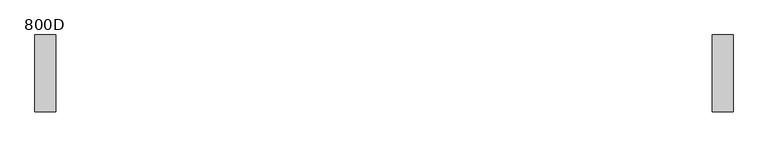
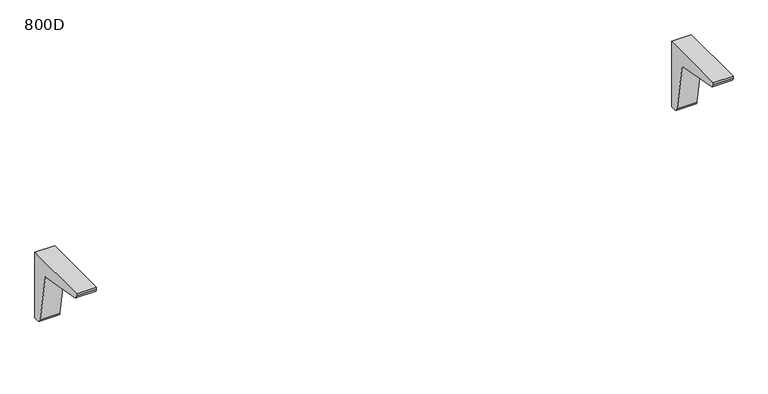
"""IFC4 building model written with IfcOpenShell, lengths in millimetres: furniture geometry, 800D."""

from ifc_helpers import new_model, si_unit, point, frame, frame_2d, origin, place, context, project, spatial, polyline, circle_curve, trimmed, segment, composite_curve, outline, extrude, source, transform, mapped, element, save


def furniture_800d_4af135a1(model_context):
    return source(origin(), model_context, "Body", "SweptSolid", [
        extrude(outline(composite_curve([segment(polyline([(0.0, 711.0), (0.0, 535.0), (-13.6, 535.0)]), True, "CONTINUOUS"), segment(trimmed(circle_curve(frame_2d((-13.6, 545.0)), 10.0), [point((-13.6, 535.0))], [point((-23.4480775, 543.2635182))], False, "CARTESIAN"), True, "CONTINUOUS"), segment(polyline([(-23.4480775, 543.2635182), (-46.2755353, 672.7244647), (-175.7393463, 695.5524276)]), True, "CONTINUOUS"), segment(trimmed(circle_curve(frame_2d((-173.2638671, 706.0)), 10.7368416), [point((-175.7393463, 695.5524276))], [point((-184.0007087, 706.0))], False, "CARTESIAN"), True, "CONTINUOUS"), segment(polyline([(-184.0007087, 706.0), (-184.0007087, 711.0), (0.0, 711.0)]), True, "CONTINUOUS")], self_intersect=False)), frame((786.9, 0.0, 0.0), z_axis=(1.0, 0.0, 0.0), x_axis=(0.0, 1.0, 0.0)), (0.0, 0.0, 1.0), 50.0),
        extrude(outline(composite_curve([segment(polyline([(0.0, 711.0), (0.0, 535.0), (-13.6, 535.0)]), True, "CONTINUOUS"), segment(trimmed(circle_curve(frame_2d((-13.6, 545.0)), 10.0), [point((-13.6, 535.0))], [point((-23.4480775, 543.2635182))], False, "CARTESIAN"), True, "CONTINUOUS"), segment(polyline([(-23.4480775, 543.2635182), (-46.2755353, 672.7244647), (-175.7393463, 695.5524276)]), True, "CONTINUOUS"), segment(trimmed(circle_curve(frame_2d((-173.2638671, 706.0)), 10.7368416), [point((-175.7393463, 695.5524276))], [point((-184.0007087, 706.0))], False, "CARTESIAN"), True, "CONTINUOUS"), segment(polyline([(-184.0007087, 706.0), (-184.0007087, 711.0), (0.0, 711.0)]), True, "CONTINUOUS")], self_intersect=False)), frame((-836.9, 0.0, 0.0), z_axis=(1.0, 0.0, 0.0), x_axis=(0.0, 1.0, 0.0)), (0.0, 0.0, 1.0), 50.0),
    ])


if __name__ == "__main__":
    model = new_model("IFC4")
    model_context = context("Model", 3, world=origin())
    ifc_project = project(units=[si_unit("LENGTHUNIT", "METRE", prefix="MILLI")], contexts=[model_context])
    site = spatial("IfcSite", under=ifc_project)
    building = spatial("IfcBuilding", under=site)
    placement = place(None, origin())
    furniture_800d_shape = furniture_800d_4af135a1(model_context)
    element("IfcFurniture", 1, ObjectType="800D", at=placement, inside=building, context=model_context, shape_type="MappedRepresentation", body=[
        mapped(furniture_800d_shape, transform((0.0, 0.0, 0.0), x_axis=(1.0, 0.0, 0.0), y_axis=(0.0, 1.0, 0.0), z_axis=(0.0, 0.0, 1.0))),
    ])
    save(model, "model.ifc")
